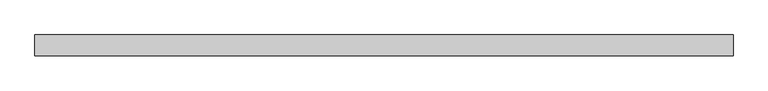
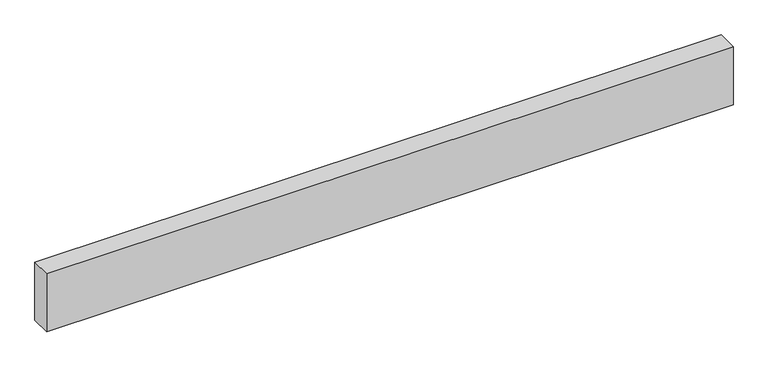
"""IFC4 building model written with IfcOpenShell, lengths in millimetres: proxy geometry."""

from ifc_helpers import new_model, si_unit, origin, origin_with_axes, place, context, project, spatial, polyline, outline, extrude, source, transform, mapped, element, save


def generic_models_4c0157da(model_context):
    return source(origin(), model_context, "Body", "SweptSolid", [
        extrude(outline(polyline([(3362.5490379, 0.0), (3362.5490379, -100.0), (0.0, -100.0), (0.0, 0.0), (3362.5490379, 0.0)])), origin_with_axes(), (0.0, 0.0, 1.0), 300.0),
    ])


if __name__ == "__main__":
    model = new_model("IFC4")
    model_context = context("Model", 3, world=origin())
    ifc_project = project(units=[si_unit("LENGTHUNIT", "METRE", prefix="MILLI")], contexts=[model_context])
    site = spatial("IfcSite", under=ifc_project)
    building = spatial("IfcBuilding", under=site)
    placement = place(None, origin())
    generic_models_shape = generic_models_4c0157da(model_context)
    element("IfcBuildingElementProxy", 1, Name="Generic Models", at=placement, inside=building, context=model_context, shape_type="MappedRepresentation", body=[
        mapped(generic_models_shape, transform((0.0, 0.0, 0.0), x_axis=(1.0, 0.0, 0.0), y_axis=(0.0, 1.0, 0.0), z_axis=(0.0, 0.0, 1.0))),
    ])
    save(model, "model.ifc")
